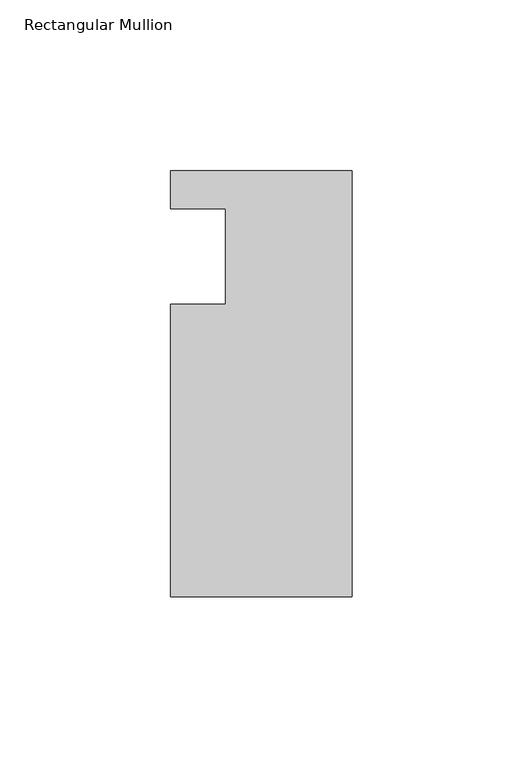
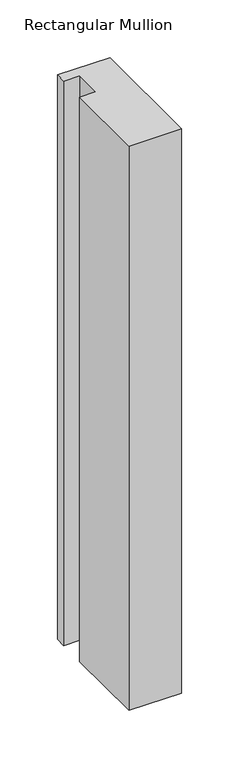
"""IFC4 building model written with IfcOpenShell, lengths in millimetres: member geometry, Rectangular Mullion."""

from ifc_helpers import new_model, si_unit, frame, origin, place, context, project, spatial, polyline, outline, extrude, source, transform, mapped, element, save


def rectangular_mullion_1c29fd70(model_context):
    return source(origin(), model_context, "Body", "SweptSolid", [
        extrude(outline(polyline([(0.0, 25.0), (0.0, -99.5), (-53.0, -99.5), (-53.0, -14.0), (-37.0, -14.0), (-37.0, 14.0), (-53.0, 14.0), (-53.0, 25.0), (0.0, 25.0)])), frame((0.0, 0.0, -599.0000104), z_axis=(0.0, 0.0, 1.0), x_axis=(1.0, 0.0, 0.0)), (0.0, 0.0, 1.0), 599.0000104),
    ])


if __name__ == "__main__":
    model = new_model("IFC4")
    model_context = context("Model", 3, world=origin())
    ifc_project = project(units=[si_unit("LENGTHUNIT", "METRE", prefix="MILLI")], contexts=[model_context])
    site = spatial("IfcSite", under=ifc_project)
    building = spatial("IfcBuilding", under=site)
    placement = place(None, origin())
    rectangular_mullion_shape = rectangular_mullion_1c29fd70(model_context)
    element("IfcMember", 1, ObjectType="Rectangular Mullion", at=placement, inside=building, context=model_context, shape_type="MappedRepresentation", body=[
        mapped(rectangular_mullion_shape, transform((0.0, 0.0, 0.0), x_axis=(1.0, 0.0, 0.0), y_axis=(0.0, 1.0, 0.0), z_axis=(0.0, 0.0, 1.0))),
    ])
    save(model, "model.ifc")
